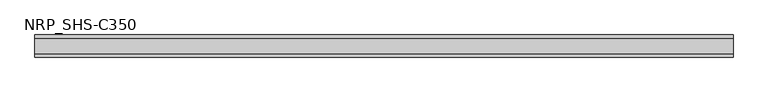
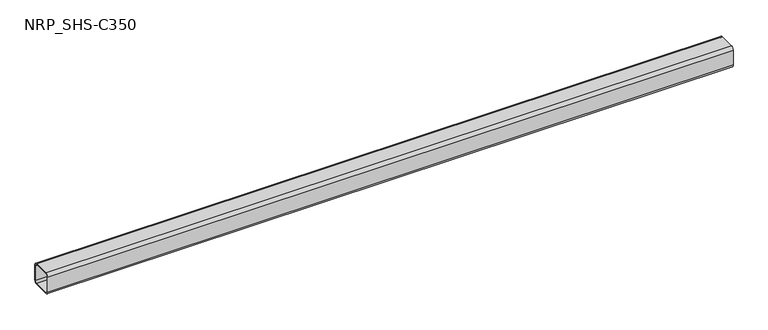
"""IFC4 building model written with IfcOpenShell, lengths in millimetres: member geometry, NRP_SHS-C350."""

from ifc_helpers import new_model, si_unit, point, frame, frame_2d, origin, place, context, project, spatial, polyline, circle_curve, trimmed, segment, composite_curve, outline, extrude, source, transform, mapped, element, save


def nrp_shs_c350_6a17a44e(model_context):
    return source(origin(), model_context, "Body", "SweptSolid", [
        extrude(outline(composite_curve([segment(polyline([(44.5, 32.0), (44.5, -32.0)]), True, "CONTINUOUS"), segment(trimmed(circle_curve(frame_2d((32.0, -32.0)), 12.5), [point((44.5, -32.0))], [point((32.0, -44.5))], False, "CARTESIAN"), True, "CONTINUOUS"), segment(polyline([(32.0, -44.5), (-32.0, -44.5)]), True, "CONTINUOUS"), segment(trimmed(circle_curve(frame_2d((-32.0, -32.0)), 12.5), [point((-32.0, -44.5))], [point((-44.5, -32.0))], False, "CARTESIAN"), True, "CONTINUOUS"), segment(polyline([(-44.5, -32.0), (-44.5, 32.0)]), True, "CONTINUOUS"), segment(trimmed(circle_curve(frame_2d((-32.0, 32.0)), 12.5), [point((-44.5, 32.0))], [point((-32.0, 44.5))], False, "CARTESIAN"), True, "CONTINUOUS"), segment(polyline([(-32.0, 44.5), (32.0, 44.5)]), True, "CONTINUOUS"), segment(trimmed(circle_curve(frame_2d((32.0, 32.0)), 12.5), [point((32.0, 44.5))], [point((44.5, 32.0))], False, "CARTESIAN"), True, "CONTINUOUS")], self_intersect=False), holes=[composite_curve([segment(trimmed(circle_curve(frame_2d((-32.0, 32.0)), 7.5), [point((-32.0, 39.5))], [point((-39.5, 32.0))], True, "CARTESIAN"), True, "CONTINUOUS"), segment(polyline([(-39.5, 32.0), (-39.5, -32.0)]), True, "CONTINUOUS"), segment(trimmed(circle_curve(frame_2d((-32.0, -32.0)), 7.5), [point((-39.5, -32.0))], [point((-32.0, -39.5))], True, "CARTESIAN"), True, "CONTINUOUS"), segment(polyline([(-32.0, -39.5), (32.0, -39.5)]), True, "CONTINUOUS"), segment(trimmed(circle_curve(frame_2d((32.0, -32.0)), 7.5), [point((32.0, -39.5))], [point((39.5, -32.0))], True, "CARTESIAN"), True, "CONTINUOUS"), segment(polyline([(39.5, -32.0), (39.5, 32.0)]), True, "CONTINUOUS"), segment(trimmed(circle_curve(frame_2d((32.0, 32.0)), 7.5), [point((39.5, 32.0))], [point((32.0, 39.5))], True, "CARTESIAN"), True, "CONTINUOUS"), segment(polyline([(32.0, 39.5), (-32.0, 39.5)]), True, "CONTINUOUS")], self_intersect=False)]), frame((-1374.5, 0.0, 0.0), z_axis=(1.0, 0.0, 0.0), x_axis=(0.0, 1.0, 0.0)), (0.0, 0.0, 1.0), 2812.0),
    ])


if __name__ == "__main__":
    model = new_model("IFC4")
    model_context = context("Model", 3, world=origin())
    ifc_project = project(units=[si_unit("LENGTHUNIT", "METRE", prefix="MILLI")], contexts=[model_context])
    site = spatial("IfcSite", under=ifc_project)
    building = spatial("IfcBuilding", under=site)
    placement = place(None, origin())
    nrp_shs_c350_shape = nrp_shs_c350_6a17a44e(model_context)
    element("IfcMember", 1, ObjectType="NRP_SHS-C350", at=placement, inside=building, context=model_context, shape_type="MappedRepresentation", body=[
        mapped(nrp_shs_c350_shape, transform((0.0, 0.0, 0.0), x_axis=(1.0, 0.0, 0.0), y_axis=(0.0, 1.0, 0.0), z_axis=(0.0, 0.0, 1.0))),
    ])
    save(model, "model.ifc")
